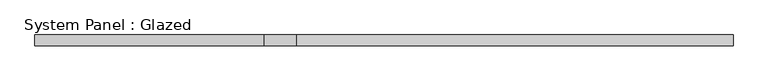
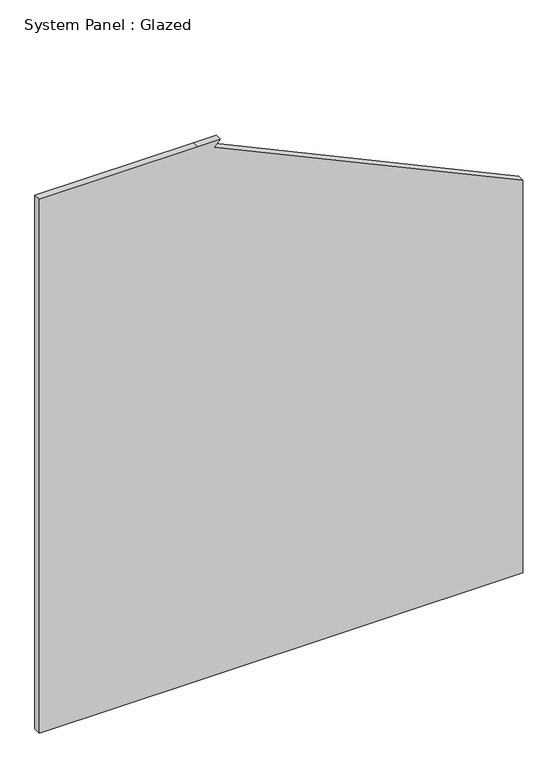
"""IFC4 building model written with IfcOpenShell, lengths in millimetres: plate geometry, System Panel : Glazed."""

import ifcopenshell
import ifcopenshell.guid

model = None  # the IFC model being written
_history = None  # IfcOwnerHistory: only IFC2X3 demands one
_inside = {}  # id of a spatial element -> (the spatial element, [elements in it])
_under = {}  # id of a project, library or spatial element -> (it, [spatial elements below it])
_declared = {}  # id of a project -> (the project, [libraries it declares])
_typed = {}  # id of a type object -> (the type object, [elements of that type])
_made_of = {}  # id of a material, layer set ... -> (it, [elements and type objects made of it])


def new_model(schema):
    """Start an empty IFC model of exactly this schema.

    Asked for "IFC4X3", IfcOpenShell would pick the latest addendum, in which some entities
    have other attributes; the version numbers below select the first issue.
    IFC2X3 requires an IfcOwnerHistory on every rooted entity: one is made here for all.
    """
    global model, _history
    if schema == "IFC4X3":
        model = ifcopenshell.file(schema_version=(4, 3, 0, 0))
    else:
        model = ifcopenshell.file(schema=schema)
    _inside.clear()
    _under.clear()
    _declared.clear()
    _typed.clear()
    _made_of.clear()
    _history = None
    if model.schema == "IFC2X3":
        org = make("IfcOrganization", Name="unknown")
        user = make(
            "IfcPersonAndOrganization",
            ThePerson=make("IfcPerson", FamilyName="unknown"),
            TheOrganization=org,
        )
        app = make(
            "IfcApplication",
            ApplicationDeveloper=org,
            Version="unknown",
            ApplicationFullName="unknown",
            ApplicationIdentifier="unknown",
        )
        _history = make(
            "IfcOwnerHistory",
            OwningUser=user,
            OwningApplication=app,
            ChangeAction="ADDED",
            CreationDate=0,
        )
    return model


def make(cls, **values):
    """One entity of the class cls with the attributes given. An attribute that is None is left unset."""
    return model.create_entity(
        cls, **{name: value for name, value in values.items() if value is not None}
    )


def rooted(cls, **values):
    """An entity with a GlobalId (a new one), such as an element, a storey or a relation."""
    return make(cls, GlobalId=ifcopenshell.guid.new(), OwnerHistory=_history, **values)


def si_unit(unit_type, name, prefix=None):
    """IfcSIUnit, for example si_unit("LENGTHUNIT", "METRE", prefix="MILLI")."""
    return make("IfcSIUnit", UnitType=unit_type, Prefix=prefix, Name=name)


def assignment(units):
    """IfcUnitAssignment: the units of a project."""
    return None if units is None else make("IfcUnitAssignment", Units=units)


def point(xyz):
    """IfcCartesianPoint."""
    return None if xyz is None else make("IfcCartesianPoint", Coordinates=xyz)


def direction(xyz):
    """IfcDirection."""
    return None if xyz is None else make("IfcDirection", DirectionRatios=xyz)


def frame(location, z_axis=None, x_axis=None):
    """IfcAxis2Placement3D, a coordinate frame: its origin and axes. An axis left out is left unset."""
    return make(
        "IfcAxis2Placement3D",
        Location=point(location),
        Axis=direction(z_axis),
        RefDirection=direction(x_axis),
    )


def origin():
    """The frame at (0, 0, 0) with its axes left unset."""
    return frame((0.0, 0.0, 0.0))


def place(relative_to, where):
    """IfcLocalPlacement: puts the frame where relative to a parent placement (None: the world)."""
    return make(
        "IfcLocalPlacement", PlacementRelTo=relative_to, RelativePlacement=where
    )


def context(
    kind, dimensions, precision=None, world=None, true_north=None, identifier=None
):
    """IfcGeometricRepresentationContext, for example the 3D "Model" context."""
    return make(
        "IfcGeometricRepresentationContext",
        ContextIdentifier=identifier,
        ContextType=kind,
        CoordinateSpaceDimension=dimensions,
        Precision=precision,
        WorldCoordinateSystem=world,
        TrueNorth=true_north,
    )


def project(units=None, contexts=None):
    """IfcProject with its units and contexts."""
    return rooted(
        "IfcProject",
        Name="project",
        RepresentationContexts=contexts,
        UnitsInContext=assignment(units),
    )


def spatial(cls, under=None, at=None, **own):
    """A site, building, storey or space (cls), placed at a placement, below another one or the project."""
    s = rooted(cls, ObjectPlacement=at, **own)
    if under is not None:
        _under.setdefault(under.id(), (under, []))[1].append(s)
    return s


def polyline(points):
    """IfcPolyline through the points."""
    return make("IfcPolyline", Points=[point(p) for p in points])


def outline(outer, holes=None, kind="AREA"):
    """IfcArbitraryClosedProfileDef: a profile drawn as a closed curve; with holes, ...WithVoids."""
    if holes is None:
        return make("IfcArbitraryClosedProfileDef", ProfileType=kind, OuterCurve=outer)
    return make(
        "IfcArbitraryProfileDefWithVoids",
        ProfileType=kind,
        OuterCurve=outer,
        InnerCurves=holes,
    )


def extrude(swept, where, along, depth):
    """IfcExtrudedAreaSolid: the profile swept, set in the frame where, extruded along a direction by depth."""
    return make(
        "IfcExtrudedAreaSolid",
        SweptArea=swept,
        Position=where,
        ExtrudedDirection=direction(along),
        Depth=depth,
    )


def shape(context_of_items, identifier, shape_type, items):
    """IfcShapeRepresentation: the items that make up one representation, for example the "Body"."""
    return make(
        "IfcShapeRepresentation",
        ContextOfItems=context_of_items,
        RepresentationIdentifier=identifier,
        RepresentationType=shape_type,
        Items=items,
    )


def source(mapping_origin, context_of_items, identifier, shape_type, items):
    """IfcRepresentationMap: a shape defined once, which mapped items show again and again."""
    return make(
        "IfcRepresentationMap",
        MappingOrigin=mapping_origin,
        MappedRepresentation=shape(context_of_items, identifier, shape_type, items),
    )


def transform(
    local_origin,
    x_axis=None,
    y_axis=None,
    z_axis=None,
    scale=None,
    scale2=None,
    scale3=None,
    uniform=True,
):
    """IfcCartesianTransformationOperator3D, or its non-uniform kind. x_axis, y_axis, z_axis: its Axis1, 2, 3."""
    if uniform:
        return make(
            "IfcCartesianTransformationOperator3D",
            Axis1=direction(x_axis),
            Axis2=direction(y_axis),
            LocalOrigin=point(local_origin),
            Scale=scale,
            Axis3=direction(z_axis),
        )
    return make(
        "IfcCartesianTransformationOperator3DnonUniform",
        Axis1=direction(x_axis),
        Axis2=direction(y_axis),
        LocalOrigin=point(local_origin),
        Scale=scale,
        Axis3=direction(z_axis),
        Scale2=scale2,
        Scale3=scale3,
    )


def mapped(mapping_source, mapping_target):
    """IfcMappedItem: shows the shape of a source again, moved by a transform."""
    return make(
        "IfcMappedItem", MappingSource=mapping_source, MappingTarget=mapping_target
    )


def made_of(thing, what):
    """Note that an element or type object is made of a material, layer set ...; save() writes the relation."""
    if what is not None:
        _made_of.setdefault(what.id(), (what, []))[1].append(thing)
    return thing


def element(
    cls,
    number,
    at=None,
    inside=None,
    cuts=None,
    type_object=None,
    material=None,
    context=None,
    identifier="Body",
    shape_type=None,
    held_by="IfcProductDefinitionShape",
    body=None,
    shapes=None,
    **own,
):
    """One element of the class cls, such as IfcWall. Its Tag is "e" and its number.

    at: its placement. inside: the storey or other place that contains it. cuts: it is an
    opening in that element (IfcRelVoidsElement). A single representation is given by context,
    identifier, shape_type and body (its items); several are given by shapes. held_by: the class
    of the entity that holds the representations. save() writes the other relations.
    """
    e = rooted(cls, Tag="e%d" % number, ObjectPlacement=at, **own)
    if body is not None:
        shapes = [shape(context, identifier, shape_type, body)]
    if shapes is not None:
        e.Representation = make(held_by, Representations=shapes)
    if inside is not None:
        _inside.setdefault(inside.id(), (inside, []))[1].append(e)
    if cuts is not None:
        rooted(
            "IfcRelVoidsElement", RelatingBuildingElement=cuts, RelatedOpeningElement=e
        )
    if type_object is not None:
        _typed.setdefault(type_object.id(), (type_object, []))[1].append(e)
    return made_of(e, material)


def aggregate(whole, parts):
    """IfcRelAggregates: a whole, such as a stair, and the parts it consists of."""
    return rooted("IfcRelAggregates", RelatingObject=whole, RelatedObjects=parts)


def save(model, path):
    """Write the relations noted so far, then the file.

    IfcRelAggregates (storeys below a building ...), IfcRelContainedInSpatialStructure (elements
    in a storey), IfcRelDefinesByType, IfcRelAssociatesMaterial and IfcRelDeclares: one each for
    every whole, place, type object, material and project.
    """
    for whole, parts in _under.values():
        aggregate(whole, parts)
    for where, things in _inside.values():
        rooted(
            "IfcRelContainedInSpatialStructure",
            RelatedElements=things,
            RelatingStructure=where,
        )
    for kind, things in _typed.values():
        rooted("IfcRelDefinesByType", RelatedObjects=things, RelatingType=kind)
    for what, things in _made_of.values():
        rooted("IfcRelAssociatesMaterial", RelatedObjects=things, RelatingMaterial=what)
    for by, libraries in _declared.values():
        rooted("IfcRelDeclares", RelatingContext=by, RelatedDefinitions=libraries)
    model.write(path)


def system_panel_glazed_f947d426(model_context):
    return source(origin(), model_context, "Body", "SweptSolid", [
        extrude(outline(polyline([(0.0, -808.6842105), (0.0, -277.8947368), (0.0, 808.6842105), (1387.2029559, 808.6842105), (1866.3095433, -224.0950405), (1886.6666667, -203.0538581), (1886.6666667, -277.8947368), (1886.6666667, -808.6842105), (0.0, -808.6842105)])), frame((0.0, 52.5, 0.0), z_axis=(0.0, 1.0, 0.0), x_axis=(0.0, 0.0, 1.0)), (0.0, 0.0, 1.0), 25.0),
    ])


if __name__ == "__main__":
    model = new_model("IFC4")
    model_context = context("Model", 3, world=origin())
    ifc_project = project(units=[si_unit("LENGTHUNIT", "METRE", prefix="MILLI")], contexts=[model_context])
    site = spatial("IfcSite", under=ifc_project)
    building = spatial("IfcBuilding", under=site)
    placement = place(None, origin())
    system_panel_glazed_shape = system_panel_glazed_f947d426(model_context)
    element("IfcPlate", 1, ObjectType="System Panel : Glazed", at=placement, inside=building, context=model_context, shape_type="MappedRepresentation", body=[
        mapped(system_panel_glazed_shape, transform((0.0, 0.0, 0.0), x_axis=(1.0, 0.0, 0.0), y_axis=(0.0, 1.0, 0.0), z_axis=(0.0, 0.0, 1.0))),
    ])
    save(model, "model.ifc")
